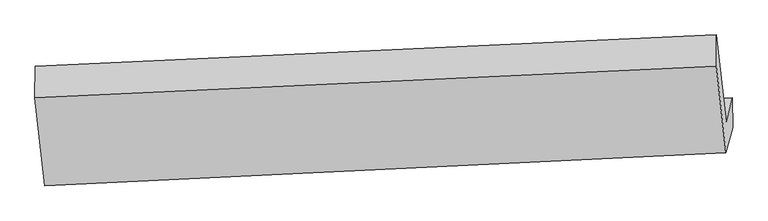
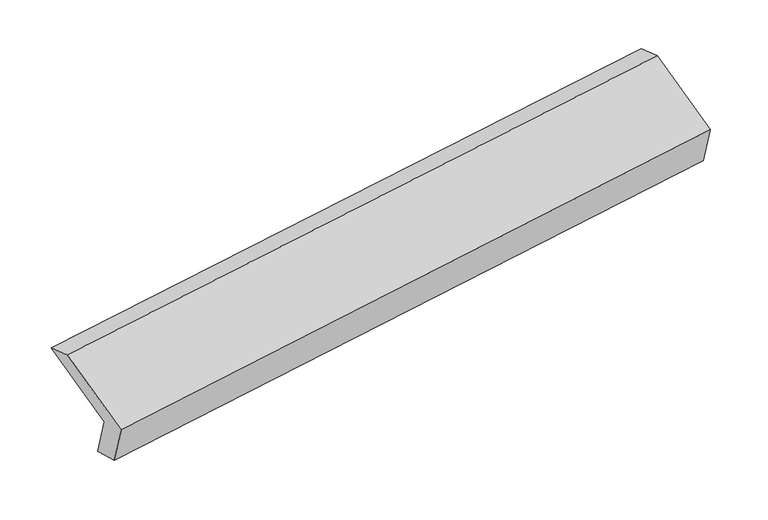
"""IFC4 building model written with IfcOpenShell, lengths in millimetres: proxy geometry."""

from ifc_helpers import new_model, si_unit, frame, origin, place, context, project, spatial, source, transform, mapped, element, save
from ifc_brep_helpers import plane_surface, spline_surface, advanced_brep


def generic_models_cdc32a6a(model_context):
    return source(origin(), model_context, "Body", "AdvancedBrep", [
        advanced_brep(
        [(-5144.2287896, -1595.2169888, 1232.0235432), (-5187.6617585, -1758.7080628, 1585.7332122), (-519.5390122, -1542.7849617, 2258.7482596), (-476.1060433, -1379.2938877, 1905.0385907), (-5142.8583792, -1814.2149817, 1292.7792158), (-474.6348555, -1585.0444124, 1960.8450786), (-5187.3991075, -1981.8759014, 1655.5102625), (-520.2833433, -1756.8751778, 2332.597503), (-5254.3135069, -1378.6638675, 1926.1092895), (-586.1907607, -1162.7407664, 2599.1243369), (-5253.5691759, -1164.5736515, 1852.2600461), (-585.4464296, -948.6505504, 2525.2750935)],
        [
            (0, 1),
            (1, 2),
            (2, 3),
            (3, 0),
            (4, 0),
            (3, 5),
            (5, 4),
            (6, 4),
            (5, 7),
            (7, 6),
            (8, 6),
            (7, 9),
            (9, 8),
            (10, 8),
            (9, 11),
            (11, 10),
            (1, 10),
            (11, 2),
        ],
        [
            plane_surface(frame((-5165.945274, -1676.9625258, 1408.8783777), z_axis=(-0.10069820019425987, 0.9077622557618672, 0.40721930147251556), x_axis=(-0.11077594209797931, -0.41698456755062085, 0.9021377727802594))),
            spline_surface(1, 1, [[(-5142.8583792, -1814.2149817, 1292.7792158), (-474.6348555, -1585.0444124, 1960.8450786)], [(-5144.2287896, -1595.2169888, 1232.0235432), (-476.1060433, -1379.2938877, 1905.0385907)]], [2, 2], [2, 2], [0.0, 1.0], [0.0, 1.0]),
            plane_surface(frame((-5165.1287434, -1898.0454416, 1474.1447392), z_axis=(0.10279214884084964, -0.9076633539690954, -0.4069164656268576), x_axis=(0.11077594209797913, 0.4169845675506207, -0.9021377727802595))),
            plane_surface(frame((-5220.8563072, -1680.2698845, 1790.809776), z_axis=(-0.11077594209797798, -0.416984567550621, 0.9021377727802595), x_axis=(0.10069820019426068, -0.907762255761867, -0.4072193014725156))),
            plane_surface(frame((-5253.9413414, -1271.6187595, 1889.1846678), z_axis=(-0.1496684160064271, 0.3228814546954198, 0.9345303266689085), x_axis=(-0.0032866579050320442, -0.9453338081201906, 0.32608770155403605))),
            plane_surface(frame((-5220.6154672, -1461.6408571, 1718.9966291), z_axis=(0.11077594209797868, 0.4169845675506211, -0.9021377727802595), x_axis=(-0.10069820019426068, 0.907762255761867, 0.4072193014725156))),
            plane_surface(frame((-527.0334074, -1395.8982927, 2263.6048104), z_axis=(0.9887307839497776, 0.045733548285132125, 0.14254781454413712), x_axis=(0.10069820019426068, -0.907762255761867, -0.4072193014725156))),
            plane_surface(frame((-5195.0051196, -1615.5422423, 1590.7359282), z_axis=(-0.988730783949777, -0.04573354828513781, -0.14254781454413987), x_axis=(0.11077594209797931, 0.41698456755062085, -0.9021377727802594))),
        ],
        [
            (0, [[1, 2, 3, 4]]),
            (1, [[5, -4, 6, 7]]),
            (2, [[8, -7, 9, 10]]),
            (3, [[11, -10, 12, 13]]),
            (4, [[14, -13, 15, 16]]),
            (5, [[17, -16, 18, -2]]),
            (6, [[-12, -9, -6, -3, -18, -15]]),
            (7, [[-1, -5, -8, -11, -14, -17]]),
        ],
    ),
    ])


if __name__ == "__main__":
    model = new_model("IFC4")
    model_context = context("Model", 3, world=origin())
    ifc_project = project(units=[si_unit("LENGTHUNIT", "METRE", prefix="MILLI")], contexts=[model_context])
    site = spatial("IfcSite", under=ifc_project)
    building = spatial("IfcBuilding", under=site)
    placement = place(None, origin())
    generic_models_shape = generic_models_cdc32a6a(model_context)
    element("IfcBuildingElementProxy", 1, Name="Generic Models", at=placement, inside=building, context=model_context, shape_type="MappedRepresentation", body=[
        mapped(generic_models_shape, transform((0.0, 0.0, 0.0), x_axis=(1.0, 0.0, 0.0), y_axis=(0.0, 1.0, 0.0), z_axis=(0.0, 0.0, 1.0))),
    ])
    save(model, "model.ifc")
